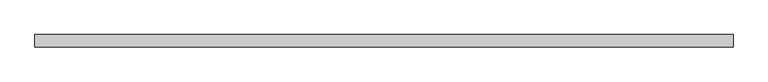
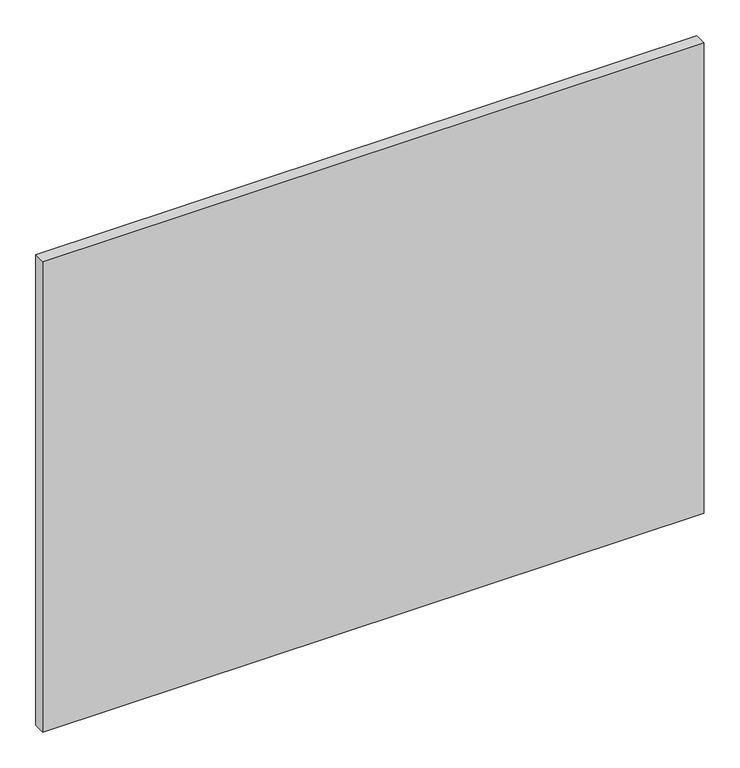
"""IFC4 building model written with IfcOpenShell, lengths in millimetres: proxy geometry."""

from ifc_helpers import new_model, si_unit, frame, origin, place, context, project, spatial, polyline, outline, extrude, source, transform, mapped, element, save


def specialty_equipment_55b1034b(model_context):
    return source(origin(), model_context, "Body", "SweptSolid", [
        extrude(outline(polyline([(531.5249999, 0.0), (531.5249999, -19.05), (-531.5249999, -19.05), (-531.5249999, 0.0), (531.5249999, 0.0)])), frame((0.0, 0.0, 3.175), z_axis=(0.0, 0.0, 1.0), x_axis=(1.0, 0.0, 0.0)), (0.0, 0.0, 1.0), 799.2618001),
    ])


if __name__ == "__main__":
    model = new_model("IFC4")
    model_context = context("Model", 3, world=origin())
    ifc_project = project(units=[si_unit("LENGTHUNIT", "METRE", prefix="MILLI")], contexts=[model_context])
    site = spatial("IfcSite", under=ifc_project)
    building = spatial("IfcBuilding", under=site)
    placement = place(None, origin())
    specialty_equipment_shape = specialty_equipment_55b1034b(model_context)
    element("IfcBuildingElementProxy", 1, Name="Specialty Equipment", at=placement, inside=building, context=model_context, shape_type="MappedRepresentation", body=[
        mapped(specialty_equipment_shape, transform((0.0, 0.0, 0.0), x_axis=(1.0, 0.0, 0.0), y_axis=(0.0, 1.0, 0.0), z_axis=(0.0, 0.0, 1.0))),
    ])
    save(model, "model.ifc")
